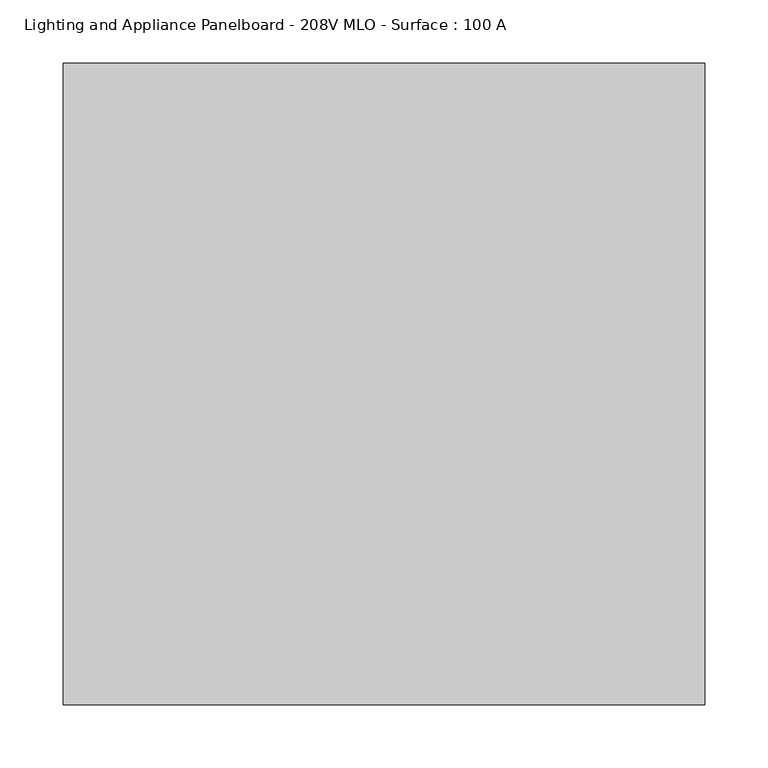
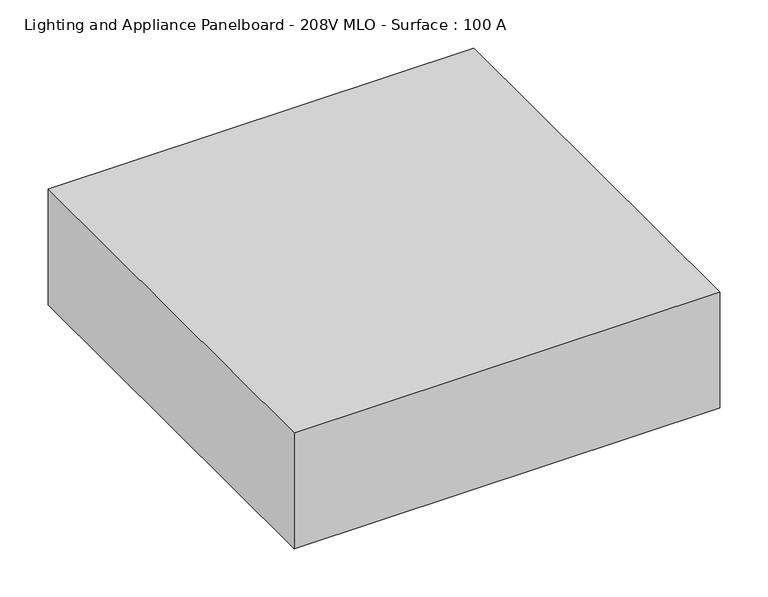
"""IFC4 building model written with IfcOpenShell, lengths in millimetres: proxy geometry, Lighting and Appliance Panelboard - 208V MLO - Surface : 100 A."""

from ifc_helpers import new_model, si_unit, origin, origin_with_axes, place, context, project, spatial, polyline, outline, extrude, source, transform, mapped, element, save


def lighting_and_appliance_panelboard_208v_mlo_surface_100_a_bfffa3d2(model_context):
    return source(origin(), model_context, "Body", "SweptSolid", [
        extrude(outline(polyline([(254.0, 254.0), (254.0, -254.0), (-254.0, -254.0), (-254.0, 254.0), (254.0, 254.0)])), origin_with_axes(), (0.0, 0.0, 1.0), 146.05),
    ])


if __name__ == "__main__":
    model = new_model("IFC4")
    model_context = context("Model", 3, world=origin())
    ifc_project = project(units=[si_unit("LENGTHUNIT", "METRE", prefix="MILLI")], contexts=[model_context])
    site = spatial("IfcSite", under=ifc_project)
    building = spatial("IfcBuilding", under=site)
    placement = place(None, origin())
    lighting_and_appliance_panelboard_208v_mlo_surface_100_a_shape = lighting_and_appliance_panelboard_208v_mlo_surface_100_a_bfffa3d2(model_context)
    element("IfcBuildingElementProxy", 1, Name="Lighting and Appliance Panelboard - 208V MLO - Surface : 100 A", ObjectType="Lighting and Appliance Panelboard - 208V MLO - Surface : 100 A", at=placement, inside=building, context=model_context, shape_type="MappedRepresentation", body=[
        mapped(lighting_and_appliance_panelboard_208v_mlo_surface_100_a_shape, transform((0.0, 0.0, 0.0), x_axis=(1.0, 0.0, 0.0), y_axis=(0.0, 1.0, 0.0), z_axis=(0.0, 0.0, 1.0))),
    ])
    save(model, "model.ifc")
